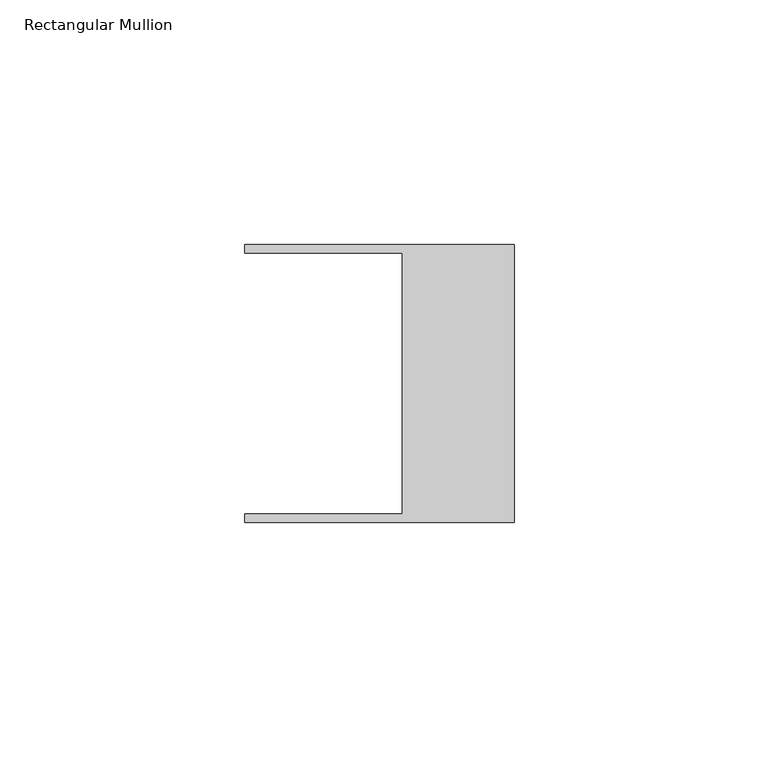
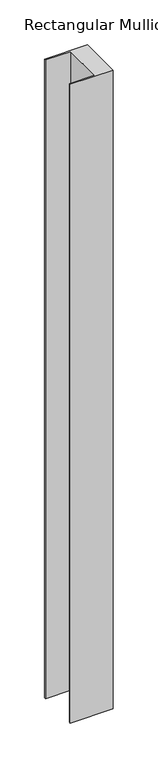
"""IFC4 building model written with IfcOpenShell, lengths in millimetres: member geometry, Rectangular Mullion."""

from ifc_helpers import new_model, si_unit, frame, origin, place, context, project, spatial, polyline, outline, extrude, source, transform, mapped, element, save


def rectangular_mullion_4d3bc29c(model_context):
    return source(origin(), model_context, "Body", "SweptSolid", [
        extrude(outline(polyline([(-55.118, -26.67), (-22.86, -26.67), (-22.86, 26.67), (-55.118, 26.67), (-55.118, 28.448), (0.0, 28.448), (0.0, -28.448), (-55.118, -28.448), (-55.118, -26.67)])), frame((0.0, 0.0, -868.0830492), z_axis=(0.0, 0.0, 1.0), x_axis=(1.0, 0.0, 0.0)), (0.0, 0.0, 1.0), 868.0830492),
    ])


if __name__ == "__main__":
    model = new_model("IFC4")
    model_context = context("Model", 3, world=origin())
    ifc_project = project(units=[si_unit("LENGTHUNIT", "METRE", prefix="MILLI")], contexts=[model_context])
    site = spatial("IfcSite", under=ifc_project)
    building = spatial("IfcBuilding", under=site)
    placement = place(None, origin())
    rectangular_mullion_shape = rectangular_mullion_4d3bc29c(model_context)
    element("IfcMember", 1, ObjectType="Rectangular Mullion", at=placement, inside=building, context=model_context, shape_type="MappedRepresentation", body=[
        mapped(rectangular_mullion_shape, transform((0.0, 0.0, 0.0), x_axis=(1.0, 0.0, 0.0), y_axis=(0.0, 1.0, 0.0), z_axis=(0.0, 0.0, 1.0))),
    ])
    save(model, "model.ifc")
